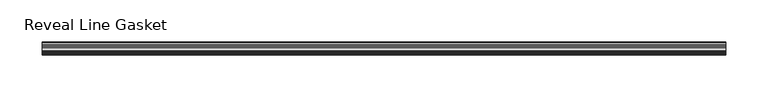
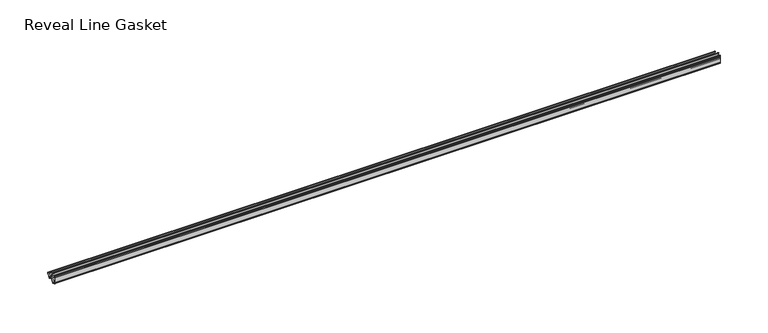
"""IFC4 building model written with IfcOpenShell, lengths in millimetres: furniture geometry, Reveal Line Gasket."""

from ifc_helpers import new_model, si_unit, point, frame, frame_2d, origin, place, context, project, spatial, polyline, circle_curve, trimmed, segment, composite_curve, outline, extrude, source, transform, mapped, element, save


def reveal_line_gasket_ef3e0e1e(model_context):
    return source(origin(), model_context, "Body", "SweptSolid", [
        extrude(outline(composite_curve([segment(polyline([(-7.6326998, 1603.2), (-7.4091917, 1604.1554927), (-6.8813059, 1605.0884684)]), True, "CONTINUOUS"), segment(trimmed(circle_curve(frame_2d((-6.5243141, 1604.8864793)), 0.4101739), [point((-6.8813059, 1605.0884684))], [point((-6.1246704, 1604.7941347))], False, "CARTESIAN"), True, "CONTINUOUS"), segment(polyline([(-6.1246704, 1604.7941347), (-6.3626997, 1603.0979086), (-6.3626997, 1601.0654527)]), True, "CONTINUOUS"), segment(trimmed(circle_curve(frame_2d((-5.6959605, 1601.4819258)), 0.786124), [point((-6.3626997, 1601.0654527))], [point((-5.0926996, 1600.977875))], True, "CARTESIAN"), True, "CONTINUOUS"), segment(polyline([(-5.0926996, 1600.977875), (-0.7492996, 1600.977875), (-3.7293824, 1606.1395295)]), True, "CONTINUOUS"), segment(trimmed(circle_curve(frame_2d((-3.3132479, 1606.2049761)), 0.4212495), [point((-3.7293824, 1606.1395295))], [point((-3.0485022, 1606.5326358))], False, "CARTESIAN"), True, "CONTINUOUS"), segment(polyline([(-3.0485022, 1606.5326358), (0.5742594, 1600.977875), (4.8262978, 1600.977875), (3.1660374, 1603.8535297)]), True, "CONTINUOUS"), segment(trimmed(circle_curve(frame_2d((3.5978728, 1603.9118855)), 0.4357605), [point((3.1660374, 1603.8535297))], [point((3.864328, 1604.2566881))], False, "CARTESIAN"), True, "CONTINUOUS"), segment(polyline([(3.864328, 1604.2566881), (6.1944059, 1600.977875), (7.6326998, 1600.977875), (7.6326998, 1599.422125), (6.1944059, 1599.422125), (3.864328, 1596.1433119)]), True, "CONTINUOUS"), segment(trimmed(circle_curve(frame_2d((3.5978728, 1596.4881145)), 0.4357605), [point((3.864328, 1596.1433119))], [point((3.1660374, 1596.5464703))], False, "CARTESIAN"), True, "CONTINUOUS"), segment(polyline([(3.1660374, 1596.5464703), (4.8262978, 1599.422125), (0.5742594, 1599.422125), (-3.0485022, 1593.8673642)]), True, "CONTINUOUS"), segment(trimmed(circle_curve(frame_2d((-3.3132479, 1594.1950239)), 0.4212495), [point((-3.0485022, 1593.8673642))], [point((-3.7293824, 1594.2604705))], False, "CARTESIAN"), True, "CONTINUOUS"), segment(polyline([(-3.7293824, 1594.2604705), (-0.7492996, 1599.422125), (-5.0926996, 1599.422125)]), True, "CONTINUOUS"), segment(trimmed(circle_curve(frame_2d((-5.6959605, 1598.9180742)), 0.786124), [point((-5.0926996, 1599.422125))], [point((-6.3626997, 1599.3345473))], True, "CARTESIAN"), True, "CONTINUOUS"), segment(polyline([(-6.3626997, 1599.3345473), (-6.3626997, 1597.3020914), (-6.1246704, 1595.6058653)]), True, "CONTINUOUS"), segment(trimmed(circle_curve(frame_2d((-6.5243141, 1595.5135207)), 0.4101739), [point((-6.1246704, 1595.6058653))], [point((-6.8813059, 1595.3115316))], False, "CARTESIAN"), True, "CONTINUOUS"), segment(polyline([(-6.8813059, 1595.3115316), (-7.4091917, 1596.2445073), (-7.6326998, 1597.2), (-7.6326998, 1603.2)]), True, "CONTINUOUS")], self_intersect=False)), frame((-404.5204, 0.0, 0.0), z_axis=(1.0, 0.0, 0.0), x_axis=(0.0, 1.0, 0.0)), (0.0, 0.0, 1.0), 809.0408),
    ])


if __name__ == "__main__":
    model = new_model("IFC4")
    model_context = context("Model", 3, world=origin())
    ifc_project = project(units=[si_unit("LENGTHUNIT", "METRE", prefix="MILLI")], contexts=[model_context])
    site = spatial("IfcSite", under=ifc_project)
    building = spatial("IfcBuilding", under=site)
    placement = place(None, origin())
    reveal_line_gasket_shape = reveal_line_gasket_ef3e0e1e(model_context)
    element("IfcFurniture", 1, ObjectType="Reveal Line Gasket", at=placement, inside=building, context=model_context, shape_type="MappedRepresentation", body=[
        mapped(reveal_line_gasket_shape, transform((0.0, 0.0, 0.0), x_axis=(1.0, 0.0, 0.0), y_axis=(0.0, 1.0, 0.0), z_axis=(0.0, 0.0, 1.0))),
    ])
    save(model, "model.ifc")
